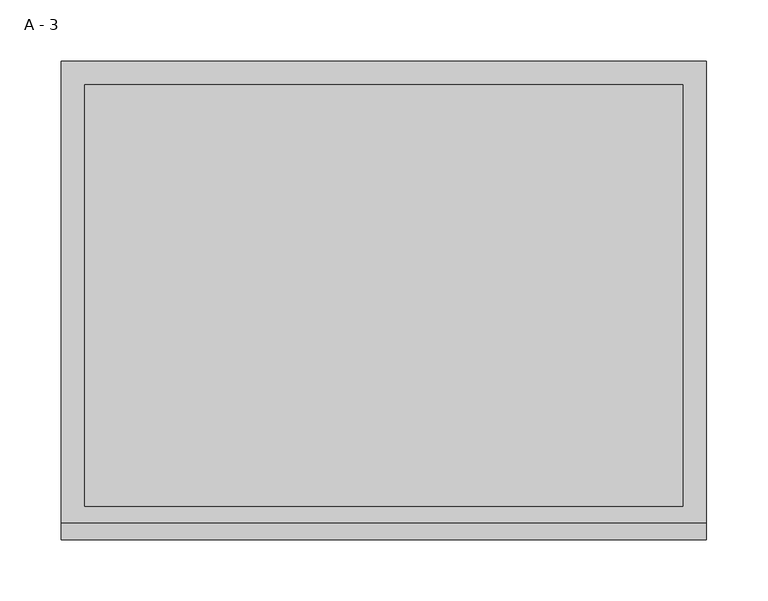
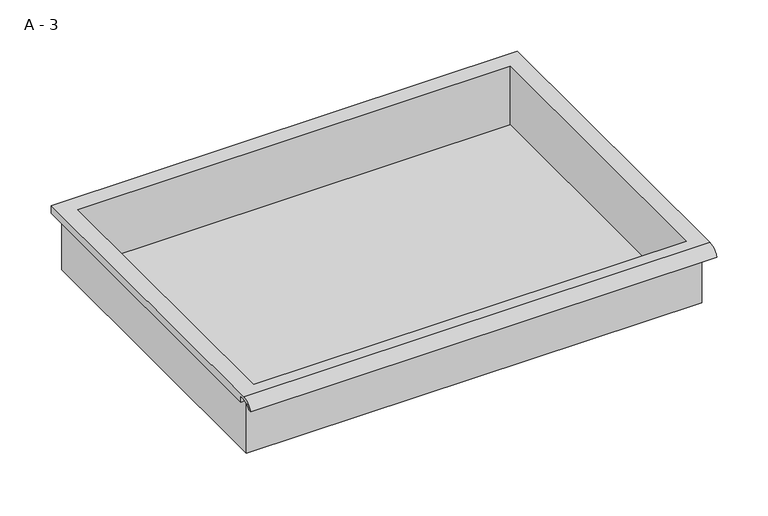
"""IFC4 building model written with IfcOpenShell, lengths in millimetres: furniture geometry, A - 3."""

from ifc_helpers import new_model, si_unit, frame, origin, place, context, project, spatial, polyline, circle_curve, source, transform, mapped, element, save
from ifc_brep_helpers import plane_surface, cylinder_surface, revolved_surface, advanced_brep


def a_3_0ee994c2(model_context):
    return source(origin(), model_context, "Body", "AdvancedBrep", [
        advanced_brep(
        [(-257.1076517, -176.2125, 973.9249), (257.2423483, -176.2125, 973.9249), (257.2423483, -176.2125, 1037.4249), (263.5923483, -176.2125, 1037.4249), (263.5923483, -176.2125, 1043.7320341), (-263.4576517, -176.2125, 1043.7320341), (-263.4576517, -176.2125, 1037.4249), (-257.1076517, -176.2125, 1037.4249), (257.2423483, 185.7375, 973.9249), (-257.1076517, 185.7375, 973.9249), (-257.1076517, 185.7375, 1037.4249), (257.2423483, 185.7375, 1037.4249), (263.5923483, -181.6070544, 1046.9499), (263.5923483, 195.2625, 1046.9499), (-263.4576517, 195.2625, 1046.9499), (-263.4576517, -181.6070544, 1046.9499), (244.5423483, -168.275, 1046.9499), (-244.4076517, -168.275, 1046.9499), (-244.4076517, 176.2125, 1046.9499), (244.5423483, 176.2125, 1046.9499), (263.5923483, -195.2625, 1037.4249), (263.5923483, -191.8280601, 1037.4249), (263.5923483, -180.4714815, 1043.7320341), (263.5923483, 195.2625, 1037.4249), (-263.4576517, 195.2625, 1037.4249), (-263.4576517, -180.4714815, 1043.7320341), (-263.4576517, -191.8280601, 1037.4249), (-263.4576517, -195.2625, 1037.4249), (-244.4076517, -168.275, 976.9510719), (244.5423483, -168.275, 976.9510719), (244.5423483, 176.2125, 976.9510719), (-244.4076517, 176.2125, 976.9510719)],
        [
            (0, 1),
            (1, 2),
            (2, 3),
            (3, 4),
            (4, 5),
            (5, 6),
            (6, 7),
            (7, 0),
            (8, 9),
            (9, 10),
            (10, 11),
            (11, 8),
            (0, 9),
            (8, 1),
            (11, 2),
            (12, 13),
            (13, 14),
            (14, 15),
            (15, 12),
            (16, 17),
            (17, 18),
            (18, 19),
            (19, 16),
            (7, 10),
            (12, 20, circle_curve(frame((263.5923483, -181.6070544, 1032.3988859), z_axis=(1.0, 0.0, 0.0), x_axis=(0.0, 1.0, 0.0)), 14.5510141)),
            (20, 21),
            (21, 22, circle_curve(frame((263.5923483, -181.6070544, 1032.3988859), z_axis=(-1.0, 0.0, 0.0), x_axis=(0.0, 1.0, 0.0)), 11.3898979)),
            (22, 4),
            (3, 23),
            (23, 13),
            (14, 24),
            (24, 6),
            (5, 25),
            (25, 26, circle_curve(frame((-263.4576517, -181.6070544, 1032.3988859), z_axis=(1.0, 0.0, 0.0), x_axis=(0.0, 1.0, 0.0)), 11.3898979)),
            (26, 27),
            (27, 15, circle_curve(frame((-263.4576517, -181.6070544, 1032.3988859), z_axis=(-1.0, 0.0, 0.0), x_axis=(0.0, 1.0, 0.0)), 14.5510141)),
            (27, 20),
            (26, 21),
            (25, 22),
            (24, 23),
            (28, 29),
            (29, 30),
            (30, 31),
            (31, 28),
            (28, 17),
            (16, 29),
            (19, 30),
            (18, 31),
        ],
        [
            plane_surface(frame((257.2423483, -176.2125, 973.9249), z_axis=(0.0, -1.0, 0.0), x_axis=(1.0, 0.0, 0.0))),
            plane_surface(frame((257.2423483, 185.7375, 973.9249), z_axis=(0.0, 1.0, 0.0), x_axis=(-1.0, 0.0, 0.0))),
            plane_surface(frame((-257.1076517, -176.2125, 973.9249), z_axis=(0.0, 0.0, -1.0), x_axis=(0.0, 1.0, 0.0))),
            plane_surface(frame((257.2423483, -176.2125, 973.9249), z_axis=(1.0, 0.0, 0.0), x_axis=(0.0, 1.0, 0.0))),
            plane_surface(frame((257.2423483, -176.2125, 1046.9499), z_axis=(0.0, 0.0, 1.0), x_axis=(0.0, 1.0, 0.0))),
            plane_surface(frame((-257.1076517, -176.2125, 1046.9499), z_axis=(-1.0, 0.0, 0.0), x_axis=(0.0, 1.0, 0.0))),
            plane_surface(frame((263.5923483, 195.2625, 1046.9499), z_axis=(1.0, 0.0, 0.0), x_axis=(0.0, -1.0, 0.0))),
            plane_surface(frame((-263.4576517, 195.2625, 1046.9499), z_axis=(-1.0, 0.0, 0.0), x_axis=(0.0, 1.0, 0.0))),
            cylinder_surface(frame((-263.4576517, -181.6070544, 1032.3988859), z_axis=(1.0, 0.0, 0.0), x_axis=(0.0, 1.0, 0.0)), 14.5510141),
            plane_surface(frame((263.5923483, -195.2625, 1037.4249), z_axis=(0.0, -7.291233251776712e-12, -1.0), x_axis=(-1.0, 0.0, 0.0))),
            revolved_surface(polyline([(-263.4576517, -170.21715650000002, 1032.3988859), (263.59234829999997, -170.21715650000002, 1032.3988859)]), (-263.4576517, -181.6070544, 1032.3988859), (-1.0, 0.0, 0.0)),
            plane_surface(frame((263.5923483, -180.4714815, 1043.7320341), z_axis=(0.0, -1.8020319608165788e-11, -1.0), x_axis=(-1.0, 0.0, 0.0))),
            plane_surface(frame((263.5923483, -176.2125, 1037.4249), z_axis=(0.0, 0.0, -1.0), x_axis=(-1.0, 0.0, 0.0))),
            plane_surface(frame((263.5923483, 195.2625, 1037.4249), z_axis=(0.0, 1.0, 0.0), x_axis=(-1.0, 0.0, 0.0))),
            plane_surface(frame((244.5423483, -168.275, 976.9510719), z_axis=(0.0, 0.0, 1.0), x_axis=(-1.0, 0.0, 0.0))),
            plane_surface(frame((-244.4076517, -168.275, 1046.9499), z_axis=(0.0, 1.0, 0.0), x_axis=(0.0, 0.0, -1.0))),
            plane_surface(frame((244.5423483, -168.275, 1046.9499), z_axis=(-1.0, 0.0, 0.0), x_axis=(0.0, 0.0, -1.0))),
            plane_surface(frame((244.5423483, 176.2125, 1046.9499), z_axis=(0.0, -1.0, 0.0), x_axis=(0.0, 0.0, -1.0))),
            plane_surface(frame((-244.4076517, 176.2125, 1046.9499), z_axis=(1.0, 0.0, 0.0), x_axis=(0.0, 0.0, -1.0))),
        ],
        [
            (0, [[1, 2, 3, 4, 5, 6, 7, 8]]),
            (1, [[9, 10, 11, 12]]),
            (2, [[-1, 13, -9, 14]]),
            (3, [[-14, -12, 15, -2]]),
            (4, [[16, 17, 18, 19], [20, 21, 22, 23]]),
            (5, [[-13, -8, 24, -10]]),
            (6, [[-16, 25, 26, 27, 28, -4, 29, 30]]),
            (7, [[31, 32, -6, 33, 34, 35, 36, -18]]),
            (8, [[-25, -19, -36, 37]]),
            (9, [[-26, -37, -35, 38]]),
            (10, [[-27, -38, -34, 39]]),
            (11, [[-28, -39, -33, -5]]),
            (12, [[-29, -3, -15, -11, -24, -7, -32, 40]]),
            (13, [[-30, -40, -31, -17]]),
            (14, [[41, 42, 43, 44]]),
            (15, [[-41, 45, -20, 46]]),
            (16, [[-42, -46, -23, 47]]),
            (17, [[-43, -47, -22, 48]]),
            (18, [[-44, -48, -21, -45]]),
        ],
    ),
    ])


if __name__ == "__main__":
    model = new_model("IFC4")
    model_context = context("Model", 3, world=origin())
    ifc_project = project(units=[si_unit("LENGTHUNIT", "METRE", prefix="MILLI")], contexts=[model_context])
    site = spatial("IfcSite", under=ifc_project)
    building = spatial("IfcBuilding", under=site)
    placement = place(None, origin())
    a_3_shape = a_3_0ee994c2(model_context)
    element("IfcFurniture", 1, ObjectType="A - 3", at=placement, inside=building, context=model_context, shape_type="MappedRepresentation", body=[
        mapped(a_3_shape, transform((0.0, 0.0, 0.0), x_axis=(1.0, 0.0, 0.0), y_axis=(0.0, 1.0, 0.0), z_axis=(0.0, 0.0, 1.0))),
    ])
    save(model, "model.ifc")
